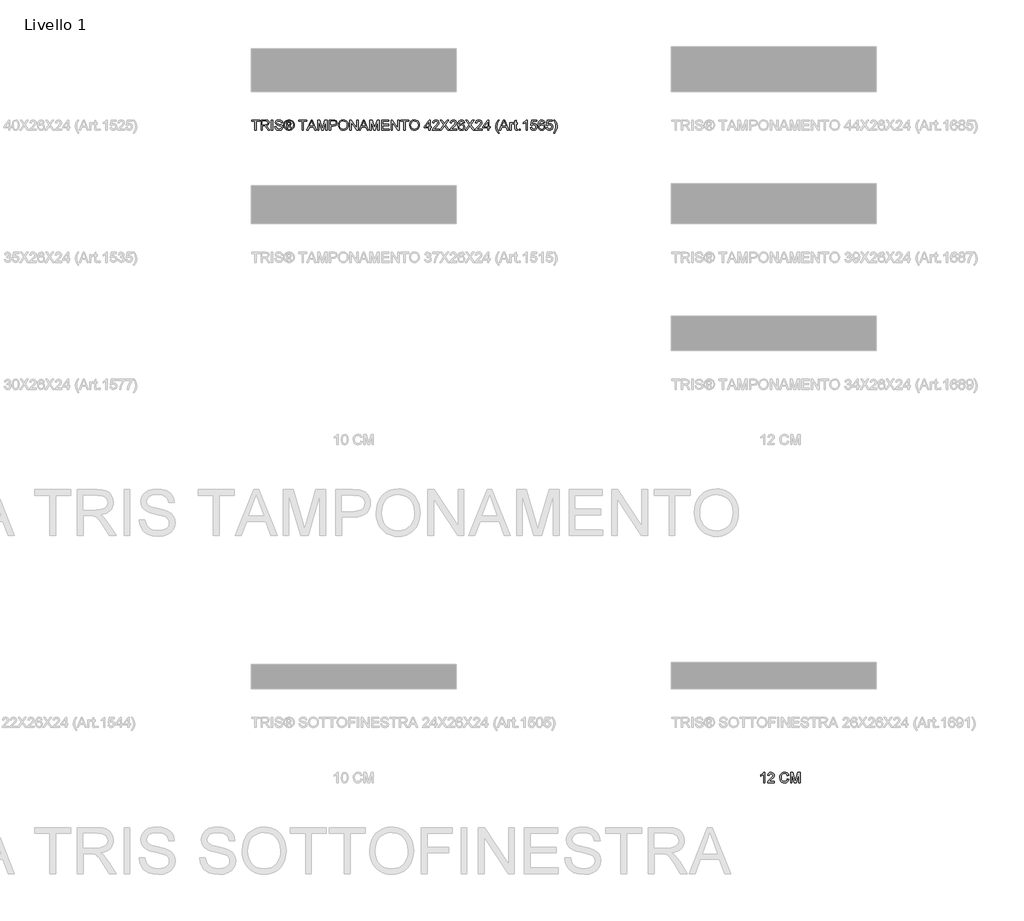
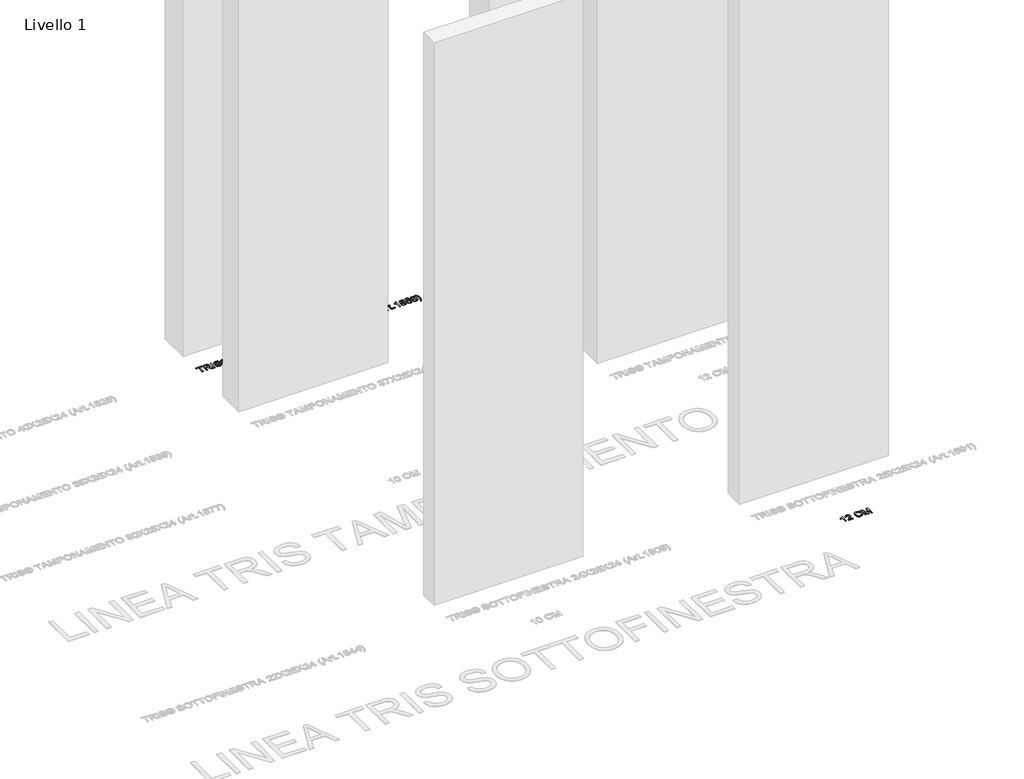
# One storey, part 12 of 16: 2 proxies.
"""IFC4 building model written with IfcOpenShell, lengths in millimetres."""

from ifc_helpers import new_model, si_unit, origin, origin_with_axes, place, context, project, spatial, polyline, outline, extrude, element, save

model = new_model("IFC4")

# Units and contexts
model_context = context("Model", 3, world=origin())
ifc_project = project(units=[si_unit("LENGTHUNIT", "METRE", prefix="MILLI")], contexts=[model_context])

# Site, building, storey
site = spatial("IfcSite", under=ifc_project)
building = spatial("IfcBuilding", under=site)
storey = spatial("IfcBuildingStorey", under=building, Name="Livello 1", Elevation=0.0)

# Proxies
placement = place(None, origin())
element("IfcBuildingElementProxy", 1, Name="100", ObjectType="100", at=placement, inside=storey, context=model_context, shape_type="SweptSolid", body=[
    extrude(outline(polyline([(3499.8577647, 920.1409688), (3487.3007259, 920.1409688), (3487.3007259, 998.4262574), (3475.4058748, 989.9527088), (3462.1866484, 983.6128757), (3462.1866484, 995.4832014), (3480.5930109, 1007.2308998), (3491.7643608, 1020.5972789), (3499.8577647, 1020.5972789), (3499.8577647, 920.1409688)])), origin_with_axes(), (0.0, 0.0, 1.0), 5.0),
    extrude(outline(polyline([(3594.0355555, 932.6980076), (3594.0355555, 920.1409688), (3528.1111019, 920.1409688), (3529.4600026, 928.7984584), (3537.0874226, 942.1280494), (3552.8082466, 956.6839137), (3574.4887588, 977.6041364), (3579.9088869, 991.8289069), (3574.7953271, 1003.3436134), (3561.4412107, 1008.0402402), (3547.5230086, 1003.453978), (3542.2377706, 990.7743119), (3529.6807318, 992.3439417), (3532.7249553, 1004.4901789), (3539.3069773, 1013.3622664), (3549.0834414, 1018.7885258), (3561.7109908, 1020.5972789), (3574.4305108, 1018.5861907), (3584.1885807, 1012.552926), (3590.3965894, 1003.5398171), (3592.4659256, 992.5891964), (3590.2341082, 980.6820825), (3582.8151546, 968.3702984), (3564.8257251, 951.1656837), (3550.3802254, 939.0868916), (3544.7148427, 932.6980076), (3594.0355555, 932.6980076)])), origin_with_axes(), (0.0, 0.0, 1.0), 5.0),
    extrude(outline(polyline([(3721.175573, 955.8500478), (3733.7326118, 952.6126862), (3727.9384704, 937.9801799), (3718.8456537, 927.2901422), (3706.9017516, 920.7510398), (3692.5543538, 918.571339), (3677.9892925, 920.2206766), (3666.4224694, 925.1686894), (3657.5565133, 933.2436992), (3651.0940529, 944.2740277), (3645.8333404, 971.1294133), (3647.3201968, 985.7772481), (3651.780766, 998.4262574), (3658.982056, 1008.6748366), (3668.691075, 1016.1213813), (3680.2057815, 1020.6555269), (3692.8241339, 1022.1669088), (3706.5921176, 1020.2110029), (3717.9749997, 1014.343285), (3726.6171609, 1004.925506), (3732.1629819, 992.3194163), (3719.6059432, 989.3273094), (3709.3052473, 1004.7660904), (3692.3336246, 1009.60987), (3672.6887261, 1004.2387929), (3661.5909525, 989.8178187), (3658.3903792, 971.1539388), (3662.1795637, 949.5224775), (3673.976313, 935.7023772), (3691.303555, 931.1283777), (3701.7851262, 932.6857448), (3710.5192579, 937.3578462), (3717.1135427, 945.0956308), (3721.175573, 955.8500478)])), origin_with_axes(), (0.0, 0.0, 1.0), 5.0),
    extrude(outline(polyline([(3750.9985401, 920.1409688), (3750.9985401, 1020.5972789), (3772.6054759, 1020.5972789), (3793.1578167, 949.7922576), (3797.3026206, 935.0034014), (3801.7907809, 951.0185309), (3821.9997652, 1020.5972789), (3843.606701, 1020.5972789), (3843.606701, 920.1409688), (3831.0496622, 920.1409688), (3831.0496622, 1008.0402402), (3805.8129574, 920.1409688), (3788.7922837, 920.1409688), (3763.5555789, 1008.0402402), (3763.5555789, 920.1409688), (3750.9985401, 920.1409688)])), origin_with_axes(), (0.0, 0.0, 1.0), 5.0),
])
element("IfcBuildingElementProxy", 2, Name="100", ObjectType="100", at=placement, inside=storey, context=model_context, shape_type="SweptSolid", body=[
    extrude(outline(polyline([(-1474.7353997, 7289.0708569), (-1474.7353997, 7376.9701283), (-1507.6976265, 7376.9701283), (-1507.6976265, 7389.527167), (-1429.2161342, 7389.527167), (-1429.2161342, 7376.9701283), (-1462.1783609, 7376.9701283), (-1462.1783609, 7289.0708569), (-1474.7353997, 7289.0708569)])), origin_with_axes(), (0.0, 0.0, 1.0), 5.0),
    extrude(outline(polyline([(-1415.0894655, 7289.0708569), (-1415.0894655, 7389.527167), (-1371.8020174, 7389.527167), (-1351.7033978, 7386.817103), (-1340.7159888, 7377.2276457), (-1336.6079732, 7362.0341193), (-1338.3094275, 7352.1380936), (-1343.4137901, 7343.9343251), (-1352.0743454, 7337.9194545), (-1364.4443775, 7334.5901224), (-1357.3074668, 7329.2190453), (-1347.1293983, 7316.2941245), (-1330.3785048, 7289.0708569), (-1344.9711573, 7289.0708569), (-1358.0432308, 7309.8929778), (-1367.4855354, 7323.6762899), (-1374.119674, 7330.1878012), (-1380.0916251, 7332.5790342), (-1387.3756886, 7333.0204926), (-1402.5324268, 7333.0204926), (-1402.5324268, 7289.0708569), (-1415.0894655, 7289.0708569)]), holes=[polyline([(-1402.5324268, 7345.5775314), (-1374.4262423, 7345.5775314), (-1360.0911073, 7347.3556277), (-1351.9486524, 7353.0455359), (-1349.165012, 7361.5681354), (-1354.4747755, 7372.6291207), (-1371.2624572, 7376.9701283), (-1402.5324268, 7376.9701283), (-1402.5324268, 7345.5775314)])]), origin_with_axes(), (0.0, 0.0, 1.0), 5.0),
    extrude(outline(polyline([(-1313.0635255, 7289.0708569), (-1313.0635255, 7389.527167), (-1300.5064868, 7389.527167), (-1300.5064868, 7289.0708569), (-1313.0635255, 7289.0708569)])), origin_with_axes(), (0.0, 0.0, 1.0), 5.0),
    extrude(outline(polyline([(-1280.1012988, 7323.6027135), (-1267.54426, 7323.6027135), (-1263.4975581, 7311.033412), (-1253.6137951, 7303.0871609), (-1238.5551588, 7300.0582658), (-1225.4340343, 7302.3513969), (-1216.9604857, 7308.6544418), (-1214.1768452, 7317.0789395), (-1216.2615099, 7324.914826), (-1224.7963722, 7330.6169969), (-1243.0801073, 7335.4117256), (-1262.7617941, 7341.6044058), (-1273.4426347, 7350.9486085), (-1276.9620391, 7363.4320709), (-1272.6087688, 7377.6445786), (-1259.8923145, 7387.6754943), (-1241.2774856, 7391.0967969), (-1221.4118578, 7387.5160788), (-1208.168106, 7376.9946537), (-1203.1894363, 7361.2738298), (-1215.7464751, 7361.2738298), (-1218.0518689, 7368.7663598), (-1222.8588603, 7374.1742251), (-1240.7869762, 7378.5397581), (-1258.7641431, 7374.2232761), (-1264.4050003, 7363.7999529), (-1260.4073493, 7355.0934123), (-1239.9040594, 7348.0791289), (-1217.6839869, 7341.7760841), (-1205.5316184, 7331.5980155), (-1201.6198065, 7317.3977705), (-1206.1202295, 7302.3759224), (-1219.0696758, 7291.4130389), (-1238.0646495, 7287.5012271), (-1260.4931884, 7291.7196073), (-1274.6811707, 7304.4237988), (-1280.1012988, 7323.6027135)])), origin_with_axes(), (0.0, 0.0, 1.0), 5.0),
    extrude(outline(polyline([(-1165.51832, 7307.9064151), (-1165.51832, 7370.6916089), (-1145.2357593, 7370.6916089), (-1130.177123, 7368.9625635), (-1122.7581694, 7362.9292988), (-1119.9990545, 7353.7690371), (-1124.7569949, 7341.8496605), (-1137.3630846, 7336.1597523), (-1132.4579914, 7332.8242889), (-1123.8986036, 7320.2917756), (-1116.8597948, 7307.9064151), (-1127.4547962, 7307.9064151), (-1132.9730262, 7317.8637544), (-1142.219127, 7332.2847286), (-1150.2389545, 7334.5901224), (-1156.1005409, 7334.5901224), (-1156.1005409, 7307.9064151), (-1165.51832, 7307.9064151)]), holes=[polyline([(-1156.1005409, 7344.0079015), (-1144.1811643, 7344.0079015), (-1132.5315678, 7346.3991345), (-1129.4168336, 7352.7389675), (-1130.912887, 7357.3007043), (-1135.0699535, 7360.2928112), (-1144.9414537, 7361.2738298), (-1156.1005409, 7361.2738298), (-1156.1005409, 7344.0079015)])]), origin_with_axes(), (0.0, 0.0, 1.0), 5.0),
    extrude(outline(polyline([(-1141.9493469, 7391.0967969), (-1129.0550829, 7389.4229338), (-1116.4673873, 7384.4013446), (-1105.4094677, 7376.2650211), (-1097.1045316, 7365.2469554), (-1091.9081985, 7352.5243697), (-1090.1760874, 7339.2744865), (-1091.883673, 7326.1410993), (-1097.0064298, 7313.5227468), (-1105.2101983, 7302.544535), (-1116.160819, 7294.3315694), (-1128.7699744, 7289.2088126), (-1141.9493469, 7287.5012271), (-1155.1103252, 7289.2088126), (-1167.7133492, 7294.3315694), (-1178.673167, 7302.544535), (-1186.9045267, 7313.5227468), (-1192.0548746, 7326.1410993), (-1193.7716572, 7339.2744865), (-1192.0303491, 7352.5243697), (-1186.8064248, 7365.2469554), (-1178.4738976, 7376.2650211), (-1167.4067809, 7384.4013446), (-1154.8252167, 7389.4229338), (-1141.9493469, 7391.0967969)]), holes=[polyline([(-1141.9493469, 7381.6790178), (-1162.7714678, 7376.1975761), (-1171.7999051, 7369.5358463), (-1178.6271818, 7360.5135404), (-1184.3538782, 7339.2744865), (-1178.7375464, 7318.2193737), (-1163.0167224, 7302.5353379), (-1141.9493469, 7296.9190061), (-1120.8697085, 7302.5353379), (-1105.1856728, 7318.2193737), (-1099.5938665, 7339.2744865), (-1105.2837747, 7360.5135404), (-1112.0926573, 7369.5358463), (-1121.1394887, 7376.1975761), (-1141.9493469, 7381.6790178)])]), origin_with_axes(), (0.0, 0.0, 1.0), 5.0),
    extrude(outline(polyline([(-1014.8338548, 7289.0708569), (-1014.8338548, 7376.9701283), (-1047.7960816, 7376.9701283), (-1047.7960816, 7389.527167), (-969.3145893, 7389.527167), (-969.3145893, 7376.9701283), (-1002.276816, 7376.9701283), (-1002.276816, 7289.0708569), (-1014.8338548, 7289.0708569)])), origin_with_axes(), (0.0, 0.0, 1.0), 5.0),
    extrude(outline(polyline([(-966.8865681, 7289.0708569), (-926.7874306, 7389.527167), (-916.0943273, 7389.527167), (-875.9951898, 7289.0708569), (-889.2634671, 7289.0708569), (-900.7659108, 7320.4634538), (-942.1403725, 7320.4634538), (-953.6182908, 7289.0708569), (-966.8865681, 7289.0708569)]), holes=[polyline([(-937.5295849, 7333.0204926), (-905.352173, 7333.0204926), (-914.4020701, 7357.7176372), (-921.4408789, 7376.9701283), (-927.6948729, 7359.8758782), (-937.5295849, 7333.0204926)])]), origin_with_axes(), (0.0, 0.0, 1.0), 5.0),
    extrude(outline(polyline([(-862.5797597, 7289.0708569), (-862.5797597, 7389.527167), (-840.9728239, 7389.527167), (-820.4204831, 7318.7221457), (-816.2756793, 7303.9332895), (-811.7875189, 7319.948419), (-791.5785346, 7389.527167), (-769.9715988, 7389.527167), (-769.9715988, 7289.0708569), (-782.5286376, 7289.0708569), (-782.5286376, 7376.9701283), (-807.7653424, 7289.0708569), (-824.7860161, 7289.0708569), (-850.0227209, 7376.9701283), (-850.0227209, 7289.0708569), (-862.5797597, 7289.0708569)])), origin_with_axes(), (0.0, 0.0, 1.0), 5.0),
    extrude(outline(polyline([(-747.996781, 7289.0708569), (-747.996781, 7389.527167), (-710.767123, 7389.527167), (-695.7575376, 7388.5706739), (-683.5561181, 7383.8740471), (-675.6466552, 7374.1619624), (-672.6545483, 7360.4644894), (-674.6748336, 7348.6248206), (-680.7356895, 7338.7594517), (-692.0695206, 7332.1007876), (-709.9087317, 7329.8812329), (-735.4397422, 7329.8812329), (-735.4397422, 7289.0708569), (-747.996781, 7289.0708569)]), holes=[polyline([(-735.4397422, 7342.4382717), (-709.1729677, 7342.4382717), (-690.6807661, 7347.0490593), (-686.5788819, 7352.5979461), (-685.2115871, 7360.023031), (-688.4366859, 7370.4218288), (-696.9102346, 7376.111737), (-709.4672733, 7376.9701283), (-735.4397422, 7376.9701283), (-735.4397422, 7342.4382717)])]), origin_with_axes(), (0.0, 0.0, 1.0), 5.0),
    extrude(outline(polyline([(-660.0975096, 7337.9746368), (-656.7497834, 7360.1885779), (-646.7066049, 7376.9946537), (-631.3720571, 7387.5712611), (-612.1502229, 7391.0967969), (-598.9739161, 7389.4413279), (-587.1587727, 7384.474921), (-577.3485861, 7376.547064), (-570.18715, 7366.0072448), (-565.8093542, 7353.3643669), (-564.350089, 7339.1273337), (-565.8859963, 7324.7002281), (-570.4937183, 7311.8795406), (-577.9188032, 7301.3213273), (-587.9067994, 7293.6816446), (-599.6207752, 7289.0463314), (-612.2237993, 7287.5012271), (-625.6024412, 7289.2088126), (-637.4850296, 7294.3315694), (-647.2706907, 7302.4065792), (-654.3585504, 7312.9709239), (-660.0975096, 7337.9746368)]), holes=[polyline([(-647.5404708, 7337.8520095), (-645.0296762, 7322.1373169), (-637.4972923, 7310.162758), (-626.1757239, 7302.5843889), (-612.2973757, 7300.0582658), (-598.2166923, 7302.6089143), (-586.8767298, 7310.2608598), (-579.3995282, 7322.6033008), (-576.9071277, 7339.2254356), (-581.1745589, 7359.9494546), (-593.6457585, 7373.6714531), (-612.0766465, 7378.5397581), (-625.5840471, 7376.1945104), (-637.0680967, 7369.1587672), (-644.9223773, 7356.6415824), (-647.5404708, 7337.8520095)])]), origin_with_axes(), (0.0, 0.0, 1.0), 5.0),
    extrude(outline(polyline([(-547.0841607, 7289.0708569), (-547.0841607, 7389.527167), (-533.6442051, 7389.527167), (-481.1597071, 7309.9420288), (-481.1597071, 7389.527167), (-468.6026683, 7389.527167), (-468.6026683, 7289.0708569), (-482.0426239, 7289.0708569), (-534.5271219, 7368.6805207), (-534.5271219, 7289.0708569), (-547.0841607, 7289.0708569)])), origin_with_axes(), (0.0, 0.0, 1.0), 5.0),
    extrude(outline(polyline([(-458.326498, 7289.0708569), (-418.2273605, 7389.527167), (-407.5342571, 7389.527167), (-367.4351197, 7289.0708569), (-380.703397, 7289.0708569), (-392.2058407, 7320.4634538), (-433.5803024, 7320.4634538), (-445.0582207, 7289.0708569), (-458.326498, 7289.0708569)]), holes=[polyline([(-428.9695147, 7333.0204926), (-396.7921029, 7333.0204926), (-405.842, 7357.7176372), (-412.8808088, 7376.9701283), (-419.1348027, 7359.8758782), (-428.9695147, 7333.0204926)])]), origin_with_axes(), (0.0, 0.0, 1.0), 5.0),
    extrude(outline(polyline([(-354.0196896, 7289.0708569), (-354.0196896, 7389.527167), (-332.4127537, 7389.527167), (-311.8604129, 7318.7221457), (-307.7156091, 7303.9332895), (-303.2274488, 7319.948419), (-283.0184645, 7389.527167), (-261.4115287, 7389.527167), (-261.4115287, 7289.0708569), (-273.9685674, 7289.0708569), (-273.9685674, 7376.9701283), (-299.2052723, 7289.0708569), (-316.2259459, 7289.0708569), (-341.4626508, 7376.9701283), (-341.4626508, 7289.0708569), (-354.0196896, 7289.0708569)])), origin_with_axes(), (0.0, 0.0, 1.0), 5.0),
    extrude(outline(polyline([(-239.4367108, 7289.0708569), (-239.4367108, 7389.527167), (-167.2337379, 7389.527167), (-167.2337379, 7376.9701283), (-226.8796721, 7376.9701283), (-226.8796721, 7347.1471612), (-170.3729976, 7347.1471612), (-170.3729976, 7334.5901224), (-226.8796721, 7334.5901224), (-226.8796721, 7301.6278957), (-165.6641081, 7301.6278957), (-165.6641081, 7289.0708569), (-239.4367108, 7289.0708569)])), origin_with_axes(), (0.0, 0.0, 1.0), 5.0),
    extrude(outline(polyline([(-146.8285499, 7289.0708569), (-146.8285499, 7389.527167), (-133.3885943, 7389.527167), (-80.9040964, 7309.9420288), (-80.9040964, 7389.527167), (-68.3470576, 7389.527167), (-68.3470576, 7289.0708569), (-81.7870132, 7289.0708569), (-134.2715111, 7368.6805207), (-134.2715111, 7289.0708569), (-146.8285499, 7289.0708569)])), origin_with_axes(), (0.0, 0.0, 1.0), 5.0),
    extrude(outline(polyline([(-21.2581622, 7289.0708569), (-21.2581622, 7376.9701283), (-54.220389, 7376.9701283), (-54.220389, 7389.527167), (24.2611033, 7389.527167), (24.2611033, 7376.9701283), (-8.7011234, 7376.9701283), (-8.7011234, 7289.0708569), (-21.2581622, 7289.0708569)])), origin_with_axes(), (0.0, 0.0, 1.0), 5.0),
    extrude(outline(polyline([(33.6788824, 7337.9746368), (37.0266086, 7360.1885779), (47.069787, 7376.9946537), (62.4043349, 7387.5712611), (81.6261691, 7391.0967969), (94.8024759, 7389.4413279), (106.6176193, 7384.474921), (116.4278058, 7376.547064), (123.589242, 7366.0072448), (127.9670378, 7353.3643669), (129.426303, 7339.1273337), (127.8903957, 7324.7002281), (123.2826737, 7311.8795406), (115.8575888, 7301.3213273), (105.8695926, 7293.6816446), (94.1556167, 7289.0463314), (81.5525927, 7287.5012271), (68.1739508, 7289.2088126), (56.2913624, 7294.3315694), (46.5057013, 7302.4065792), (39.4178415, 7312.9709239), (33.6788824, 7337.9746368)]), holes=[polyline([(46.2359212, 7337.8520095), (48.7467158, 7322.1373169), (56.2790996, 7310.162758), (67.600668, 7302.5843889), (81.4790163, 7300.0582658), (95.5596997, 7302.6089143), (106.8996622, 7310.2608598), (114.3768637, 7322.6033008), (116.8692642, 7339.2254356), (112.6018331, 7359.9494546), (100.1306335, 7373.6714531), (81.6997455, 7378.5397581), (68.1923449, 7376.1945104), (56.7082953, 7369.1587672), (48.8540147, 7356.6415824), (46.2359212, 7337.8520095)])]), origin_with_axes(), (0.0, 0.0, 1.0), 5.0),
    extrude(outline(polyline([(222.0344639, 7289.0708569), (222.0344639, 7312.6153046), (176.5151984, 7312.6153046), (176.5151984, 7325.1723434), (225.1737236, 7387.9575372), (234.5915027, 7387.9575372), (234.5915027, 7325.1723434), (247.1485415, 7325.1723434), (247.1485415, 7312.6153046), (234.5915027, 7312.6153046), (234.5915027, 7289.0708569), (222.0344639, 7289.0708569)]), holes=[polyline([(222.0344639, 7325.1723434), (222.0344639, 7363.9716311), (191.9662422, 7325.1723434), (222.0344639, 7325.1723434)])]), origin_with_axes(), (0.0, 0.0, 1.0), 5.0),
    extrude(outline(polyline([(322.4907741, 7301.6278957), (322.4907741, 7289.0708569), (256.5663205, 7289.0708569), (257.9152212, 7297.7283465), (265.5426412, 7311.0579375), (281.2634652, 7325.6138018), (302.9439774, 7346.5340245), (308.3641055, 7360.758795), (303.2505457, 7372.2735015), (289.8964293, 7376.9701283), (275.9782272, 7372.3838661), (270.6929892, 7359.7042), (258.1359504, 7361.2738298), (261.1801739, 7373.420067), (267.7621959, 7382.2921545), (277.53866, 7387.7184139), (290.1662094, 7389.527167), (302.8857294, 7387.5160788), (312.6437993, 7381.4828141), (318.851808, 7372.4697052), (320.9211442, 7361.5190845), (318.6893268, 7349.6119706), (311.2703732, 7337.3001865), (293.2809437, 7320.0955718), (278.835444, 7308.0167797), (273.1700613, 7301.6278957), (322.4907741, 7301.6278957)])), origin_with_axes(), (0.0, 0.0, 1.0), 5.0),
    extrude(outline(polyline([(328.7692935, 7289.0708569), (367.4950048, 7343.8116978), (335.0478128, 7389.527167), (350.1064492, 7389.527167), (368.3779216, 7363.7999529), (374.5338137, 7353.7690371), (381.7443008, 7363.9716311), (399.8195695, 7389.527167), (415.098935, 7389.527167), (382.651743, 7343.664545), (421.3774544, 7289.0708569), (406.318818, 7289.0708569), (380.5180275, 7325.466649), (375.1469503, 7333.0204926), (369.2363129, 7324.730885), (344.048659, 7289.0708569), (328.7692935, 7289.0708569)])), origin_with_axes(), (0.0, 0.0, 1.0), 5.0),
    extrude(outline(polyline([(493.5804273, 7301.6278957), (493.5804273, 7289.0708569), (427.6559738, 7289.0708569), (429.0048744, 7297.7283465), (436.6322944, 7311.0579375), (452.3531184, 7325.6138018), (474.0336306, 7346.5340245), (479.4537587, 7360.758795), (474.340199, 7372.2735015), (460.9860825, 7376.9701283), (447.0678804, 7372.3838661), (441.7826424, 7359.7042), (429.2256036, 7361.2738298), (432.2698271, 7373.420067), (438.8518492, 7382.2921545), (448.6283132, 7387.7184139), (461.2558627, 7389.527167), (473.9753826, 7387.5160788), (483.7334526, 7381.4828141), (489.9414612, 7372.4697052), (492.0107975, 7361.5190845), (489.77898, 7349.6119706), (482.3600264, 7337.3001865), (464.3705969, 7320.0955718), (449.9250972, 7308.0167797), (444.2597145, 7301.6278957), (493.5804273, 7301.6278957)])), origin_with_axes(), (0.0, 0.0, 1.0), 5.0),
    extrude(outline(polyline([(570.4922898, 7362.8434597), (557.935251, 7361.2738298), (553.1773105, 7371.7462039), (540.5957463, 7376.9701283), (529.2649808, 7373.9289705), (520.6933303, 7362.5123659), (517.124875, 7340.1328778), (528.198123, 7350.1515308), (541.9201215, 7353.4256806), (553.5206671, 7351.1877318), (563.2572772, 7344.4738854), (569.860759, 7334.2161091), (572.0619196, 7321.3463706), (567.9171158, 7304.0191286), (556.5127739, 7291.7563955), (540.056186, 7287.5012271), (525.8099558, 7290.3216557), (514.4638619, 7298.7829416), (507.0418426, 7313.7189506), (504.5678362, 7335.9635486), (507.3146885, 7360.9733929), (515.5552451, 7378.0737743), (526.8063028, 7386.6638189), (541.3805612, 7389.527167), (552.398627, 7387.7552021), (561.2216635, 7382.4393073), (567.402081, 7373.9964155), (570.4922898, 7362.8434597)]), holes=[polyline([(517.124875, 7321.5425743), (520.0311428, 7310.66553), (527.7566647, 7302.7683299), (539.0751674, 7300.0582658), (547.3617093, 7301.4623488), (553.8762863, 7305.6745976), (558.0977322, 7312.2964735), (559.5048808, 7320.9294377), (558.1161263, 7329.2159796), (553.9498627, 7335.5343529), (547.3249211, 7339.5350696), (538.5601326, 7340.8686418), (523.3666062, 7335.5343529), (518.6853078, 7329.3692638), (517.124875, 7321.5425743)])]), origin_with_axes(), (0.0, 0.0, 1.0), 5.0),
    extrude(outline(polyline([(576.7708091, 7289.0708569), (615.4965205, 7343.8116978), (583.0493285, 7389.527167), (598.1079649, 7389.527167), (616.3794373, 7363.7999529), (622.5353293, 7353.7690371), (629.7458165, 7363.9716311), (647.8210851, 7389.527167), (663.1004507, 7389.527167), (630.6532587, 7343.664545), (669.3789701, 7289.0708569), (654.3203337, 7289.0708569), (628.5195431, 7325.466649), (623.148466, 7333.0204926), (617.2378286, 7324.730885), (592.0501747, 7289.0708569), (576.7708091, 7289.0708569)])), origin_with_axes(), (0.0, 0.0, 1.0), 5.0),
    extrude(outline(polyline([(741.581943, 7301.6278957), (741.581943, 7289.0708569), (675.6574894, 7289.0708569), (677.0063901, 7297.7283465), (684.6338101, 7311.0579375), (700.3546341, 7325.6138018), (722.0351463, 7346.5340245), (727.4552744, 7360.758795), (722.3417146, 7372.2735015), (708.9875982, 7376.9701283), (695.0693961, 7372.3838661), (689.7841581, 7359.7042), (677.2271193, 7361.2738298), (680.2713428, 7373.420067), (686.8533648, 7382.2921545), (696.6298289, 7387.7184139), (709.2573783, 7389.527167), (721.9768983, 7387.5160788), (731.7349682, 7381.4828141), (737.9429769, 7372.4697052), (740.0123131, 7361.5190845), (737.7804957, 7349.6119706), (730.3615421, 7337.3001865), (712.3721126, 7320.0955718), (697.9266129, 7308.0167797), (692.2612302, 7301.6278957), (741.581943, 7301.6278957)])), origin_with_axes(), (0.0, 0.0, 1.0), 5.0),
    extrude(outline(polyline([(794.9493578, 7289.0708569), (794.9493578, 7312.6153046), (749.4300922, 7312.6153046), (749.4300922, 7325.1723434), (798.0886174, 7387.9575372), (807.5063965, 7387.9575372), (807.5063965, 7325.1723434), (820.0634353, 7325.1723434), (820.0634353, 7312.6153046), (807.5063965, 7312.6153046), (807.5063965, 7289.0708569), (794.9493578, 7289.0708569)]), holes=[polyline([(794.9493578, 7325.1723434), (794.9493578, 7363.9716311), (764.881136, 7325.1723434), (794.9493578, 7325.1723434)])]), origin_with_axes(), (0.0, 0.0, 1.0), 5.0),
    extrude(outline(polyline([(898.5449276, 7260.8175197), (880.7149136, 7290.2726048), (875.2518659, 7307.4526939), (873.4308501, 7325.2459198), (878.8755036, 7355.7801254), (898.5449276, 7389.527167), (907.9627067, 7389.527167), (896.2150083, 7369.6370138), (889.151674, 7350.3599973), (885.9878888, 7325.1723434), (891.4815933, 7292.9826688), (907.9627067, 7260.8175197), (898.5449276, 7260.8175197)])), origin_with_axes(), (0.0, 0.0, 1.0), 5.0),
    extrude(outline(polyline([(910.3907278, 7289.0708569), (950.4898653, 7389.527167), (961.1829686, 7389.527167), (1001.2821061, 7289.0708569), (988.0138288, 7289.0708569), (976.5113851, 7320.4634538), (935.1369234, 7320.4634538), (923.6590051, 7289.0708569), (910.3907278, 7289.0708569)]), holes=[polyline([(939.7477111, 7333.0204926), (971.9251229, 7333.0204926), (962.8752258, 7357.7176372), (955.836417, 7376.9701283), (949.5824231, 7359.8758782), (939.7477111, 7333.0204926)])]), origin_with_axes(), (0.0, 0.0, 1.0), 5.0),
    extrude(outline(polyline([(1013.1279064, 7289.0708569), (1013.1279064, 7362.8434597), (1024.1153153, 7362.8434597), (1024.1153153, 7351.9296271), (1031.9144136, 7361.9850683), (1039.7625628, 7364.4130895), (1052.3686525, 7360.5380658), (1048.1747978, 7349.2808768), (1039.3456299, 7351.8560507), (1032.2455074, 7349.3789786), (1027.7205588, 7342.5118481), (1025.6849451, 7327.8456192), (1025.6849451, 7289.0708569), (1013.1279064, 7289.0708569)])), origin_with_axes(), (0.0, 0.0, 1.0), 5.0),
    extrude(outline(polyline([(1086.9005091, 7299.543231), (1088.470139, 7288.7029749), (1079.0768854, 7287.5012271), (1068.5554603, 7289.5858917), (1063.3070105, 7295.0550707), (1061.7864316, 7309.3043666), (1061.7864316, 7350.2864209), (1052.3686525, 7350.2864209), (1052.3686525, 7362.8434597), (1061.7864316, 7362.8434597), (1061.7864316, 7380.7715756), (1074.3434704, 7388.1537409), (1074.3434704, 7362.8434597), (1086.9005091, 7362.8434597), (1086.9005091, 7350.2864209), (1074.3434704, 7350.2864209), (1074.3434704, 7309.6722486), (1075.0056579, 7303.1975255), (1077.1516363, 7300.9043944), (1081.4313301, 7300.0582658), (1086.9005091, 7299.543231)])), origin_with_axes(), (0.0, 0.0, 1.0), 5.0),
    extrude(outline(polyline([(1102.5968076, 7289.0708569), (1102.5968076, 7301.6278957), (1115.1538464, 7301.6278957), (1115.1538464, 7289.0708569), (1102.5968076, 7289.0708569)])), origin_with_axes(), (0.0, 0.0, 1.0), 5.0),
    extrude(outline(polyline([(1182.6479297, 7289.0708569), (1170.090891, 7289.0708569), (1170.090891, 7367.3561455), (1158.1960398, 7358.8825969), (1144.9768134, 7352.5427638), (1144.9768134, 7364.4130895), (1163.3831759, 7376.1607879), (1174.5545258, 7389.527167), (1182.6479297, 7389.527167), (1182.6479297, 7289.0708569)])), origin_with_axes(), (0.0, 0.0, 1.0), 5.0),
    extrude(outline(polyline([(1212.4708968, 7315.7545643), (1225.0279356, 7317.3241941), (1231.3555059, 7304.3870106), (1244.4766304, 7300.0582658), (1253.4774765, 7301.5635163), (1260.2219798, 7306.0792678), (1264.4342286, 7313.0843541), (1265.8383116, 7322.0576091), (1260.577599, 7336.9690927), (1253.9710515, 7341.0709769), (1244.6728341, 7342.4382717), (1233.648637, 7340.2555052), (1226.5975654, 7334.5901224), (1214.0405267, 7336.1597523), (1225.0279356, 7387.9575372), (1273.6864608, 7387.9575372), (1273.6864608, 7375.4004984), (1235.1814786, 7375.4004984), (1229.8104015, 7347.7357724), (1238.7805908, 7353.1804259), (1248.1799758, 7354.9953104), (1259.9123458, 7352.7450989), (1269.6520216, 7345.9944643), (1276.2095182, 7335.7060312), (1278.3953503, 7322.8424241), (1276.4271817, 7310.2853853), (1270.5226756, 7299.543231), (1259.2164357, 7290.511728), (1244.4275795, 7287.5012271), (1232.0943356, 7289.4356732), (1222.2688206, 7295.2390117), (1215.5335144, 7304.2367922), (1212.4708968, 7315.7545643)])), origin_with_axes(), (0.0, 0.0, 1.0), 5.0),
    extrude(outline(polyline([(1353.737583, 7362.8434597), (1341.1805442, 7361.2738298), (1336.4226037, 7371.7462039), (1323.8410395, 7376.9701283), (1312.510274, 7373.9289705), (1303.9386235, 7362.5123659), (1300.3701682, 7340.1328778), (1311.4434162, 7350.1515308), (1325.1654147, 7353.4256806), (1336.7659602, 7351.1877318), (1346.5025704, 7344.4738854), (1353.1060522, 7334.2161091), (1355.3072128, 7321.3463706), (1351.162409, 7304.0191286), (1339.7580671, 7291.7563955), (1323.3014792, 7287.5012271), (1309.055249, 7290.3216557), (1297.7091551, 7298.7829416), (1290.2871358, 7313.7189506), (1287.8131294, 7335.9635486), (1290.5599817, 7360.9733929), (1298.8005383, 7378.0737743), (1310.051596, 7386.6638189), (1324.6258544, 7389.527167), (1335.6439202, 7387.7552021), (1344.4669567, 7382.4393073), (1350.6473742, 7373.9964155), (1353.737583, 7362.8434597)]), holes=[polyline([(1300.3701682, 7321.5425743), (1303.276436, 7310.66553), (1311.0019579, 7302.7683299), (1322.3204606, 7300.0582658), (1330.6070025, 7301.4623488), (1337.1215795, 7305.6745976), (1341.3430254, 7312.2964735), (1342.750174, 7320.9294377), (1341.3614195, 7329.2159796), (1337.1951559, 7335.5343529), (1330.5702143, 7339.5350696), (1321.8054258, 7340.8686418), (1306.6118994, 7335.5343529), (1301.930601, 7329.3692638), (1300.3701682, 7321.5425743)])]), origin_with_axes(), (0.0, 0.0, 1.0), 5.0),
    extrude(outline(polyline([(1366.2946217, 7315.7545643), (1378.8516605, 7317.3241941), (1385.1792308, 7304.3870106), (1398.3003553, 7300.0582658), (1407.3012015, 7301.5635163), (1414.0457047, 7306.0792678), (1418.2579535, 7313.0843541), (1419.6620365, 7322.0576091), (1414.401324, 7336.9690927), (1407.7947765, 7341.0709769), (1398.496559, 7342.4382717), (1387.4723619, 7340.2555052), (1380.4212903, 7334.5901224), (1367.8642516, 7336.1597523), (1378.8516605, 7387.9575372), (1427.5101857, 7387.9575372), (1427.5101857, 7375.4004984), (1389.0052036, 7375.4004984), (1383.6341264, 7347.7357724), (1392.6043157, 7353.1804259), (1402.0037007, 7354.9953104), (1413.7360707, 7352.7450989), (1423.4757465, 7345.9944643), (1430.0332431, 7335.7060312), (1432.2190753, 7322.8424241), (1430.2509066, 7310.2853853), (1424.3464006, 7299.543231), (1413.0401606, 7290.511728), (1398.2513044, 7287.5012271), (1385.9180605, 7289.4356732), (1376.0925455, 7295.2390117), (1369.3572393, 7304.2367922), (1366.2946217, 7315.7545643)])), origin_with_axes(), (0.0, 0.0, 1.0), 5.0),
    extrude(outline(polyline([(1449.4850036, 7260.8175197), (1440.0672245, 7260.8175197), (1456.5483379, 7292.9826688), (1462.0420423, 7325.1723434), (1458.8782572, 7350.1392681), (1451.8884993, 7369.4408101), (1440.0672245, 7389.527167), (1449.4850036, 7389.527167), (1469.1544276, 7355.7801254), (1474.5990811, 7325.2459198), (1472.7688682, 7307.4526939), (1467.2782294, 7290.2726048), (1449.4850036, 7260.8175197)])), origin_with_axes(), (0.0, 0.0, 1.0), 5.0),
])

save(model, "model.ifc")
